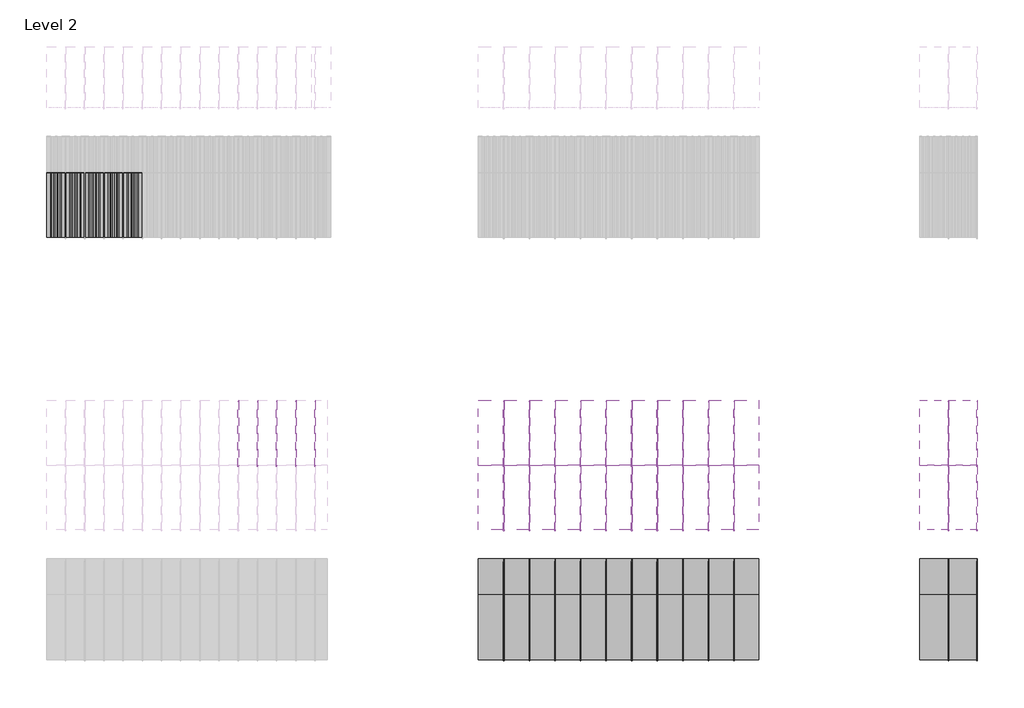
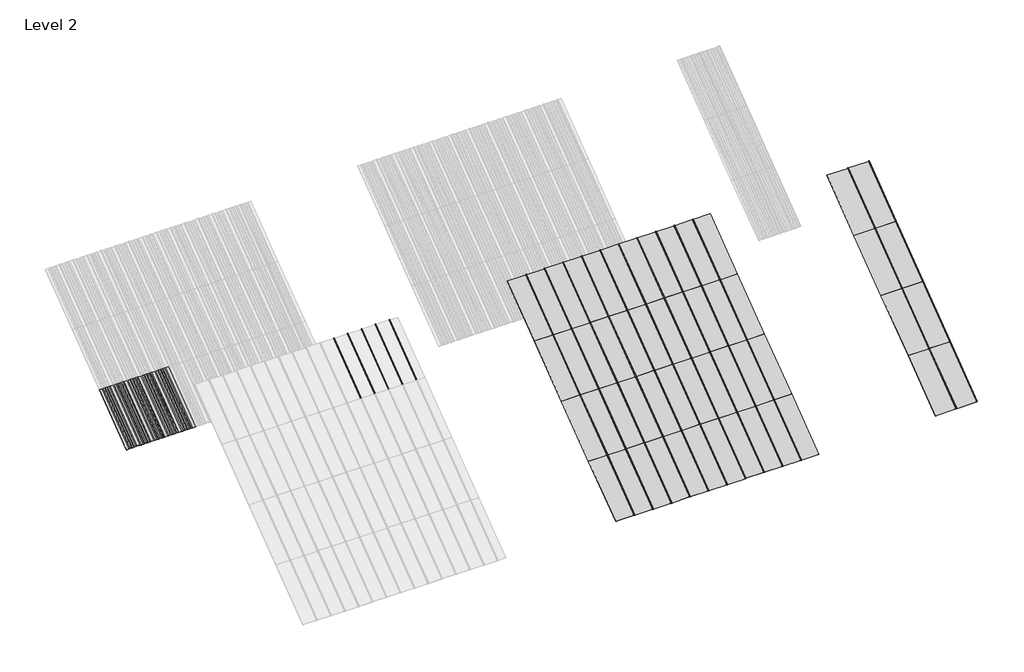
# One storey, part 2 of 113: 57 plates, 53 members.
"""IFC4 building model written with IfcOpenShell, lengths in millimetres."""

import ifcopenshell
import ifcopenshell.guid

model = None  # the IFC model being written
_history = None  # IfcOwnerHistory: only IFC2X3 demands one
_inside = {}  # id of a spatial element -> (the spatial element, [elements in it])
_under = {}  # id of a project, library or spatial element -> (it, [spatial elements below it])
_declared = {}  # id of a project -> (the project, [libraries it declares])
_typed = {}  # id of a type object -> (the type object, [elements of that type])
_made_of = {}  # id of a material, layer set ... -> (it, [elements and type objects made of it])


def new_model(schema):
    """Start an empty IFC model of exactly this schema.

    Asked for "IFC4X3", IfcOpenShell would pick the latest addendum, in which some entities
    have other attributes; the version numbers below select the first issue.
    IFC2X3 requires an IfcOwnerHistory on every rooted entity: one is made here for all.
    """
    global model, _history
    if schema == "IFC4X3":
        model = ifcopenshell.file(schema_version=(4, 3, 0, 0))
    else:
        model = ifcopenshell.file(schema=schema)
    _inside.clear()
    _under.clear()
    _declared.clear()
    _typed.clear()
    _made_of.clear()
    _history = None
    if model.schema == "IFC2X3":
        org = make("IfcOrganization", Name="unknown")
        user = make(
            "IfcPersonAndOrganization",
            ThePerson=make("IfcPerson", FamilyName="unknown"),
            TheOrganization=org,
        )
        app = make(
            "IfcApplication",
            ApplicationDeveloper=org,
            Version="unknown",
            ApplicationFullName="unknown",
            ApplicationIdentifier="unknown",
        )
        _history = make(
            "IfcOwnerHistory",
            OwningUser=user,
            OwningApplication=app,
            ChangeAction="ADDED",
            CreationDate=0,
        )
    return model


def make(cls, **values):
    """One entity of the class cls with the attributes given. An attribute that is None is left unset."""
    return model.create_entity(
        cls, **{name: value for name, value in values.items() if value is not None}
    )


def rooted(cls, **values):
    """An entity with a GlobalId (a new one), such as an element, a storey or a relation."""
    return make(cls, GlobalId=ifcopenshell.guid.new(), OwnerHistory=_history, **values)


def si_unit(unit_type, name, prefix=None):
    """IfcSIUnit, for example si_unit("LENGTHUNIT", "METRE", prefix="MILLI")."""
    return make("IfcSIUnit", UnitType=unit_type, Prefix=prefix, Name=name)


def assignment(units):
    """IfcUnitAssignment: the units of a project."""
    return None if units is None else make("IfcUnitAssignment", Units=units)


def point(xyz):
    """IfcCartesianPoint."""
    return None if xyz is None else make("IfcCartesianPoint", Coordinates=xyz)


def direction(xyz):
    """IfcDirection."""
    return None if xyz is None else make("IfcDirection", DirectionRatios=xyz)


def frame(location, z_axis=None, x_axis=None):
    """IfcAxis2Placement3D, a coordinate frame: its origin and axes. An axis left out is left unset."""
    return make(
        "IfcAxis2Placement3D",
        Location=point(location),
        Axis=direction(z_axis),
        RefDirection=direction(x_axis),
    )


def frame_2d(location, x_axis=None):
    """IfcAxis2Placement2D, a coordinate frame in the plane: its origin and x axis."""
    return make(
        "IfcAxis2Placement2D", Location=point(location), RefDirection=direction(x_axis)
    )


def origin():
    """The frame at (0, 0, 0) with its axes left unset."""
    return frame((0.0, 0.0, 0.0))


def origin_with_axes():
    """The frame at (0, 0, 0) with the z axis (0, 0, 1) and the x axis (1, 0, 0) written out."""
    return frame((0.0, 0.0, 0.0), z_axis=(0.0, 0.0, 1.0), x_axis=(1.0, 0.0, 0.0))


def place(relative_to, where):
    """IfcLocalPlacement: puts the frame where relative to a parent placement (None: the world)."""
    return make(
        "IfcLocalPlacement", PlacementRelTo=relative_to, RelativePlacement=where
    )


def context(
    kind, dimensions, precision=None, world=None, true_north=None, identifier=None
):
    """IfcGeometricRepresentationContext, for example the 3D "Model" context."""
    return make(
        "IfcGeometricRepresentationContext",
        ContextIdentifier=identifier,
        ContextType=kind,
        CoordinateSpaceDimension=dimensions,
        Precision=precision,
        WorldCoordinateSystem=world,
        TrueNorth=true_north,
    )


def project(units=None, contexts=None):
    """IfcProject with its units and contexts."""
    return rooted(
        "IfcProject",
        Name="project",
        RepresentationContexts=contexts,
        UnitsInContext=assignment(units),
    )


def spatial(cls, under=None, at=None, **own):
    """A site, building, storey or space (cls), placed at a placement, below another one or the project."""
    s = rooted(cls, ObjectPlacement=at, **own)
    if under is not None:
        _under.setdefault(under.id(), (under, []))[1].append(s)
    return s


def polyline(points):
    """IfcPolyline through the points."""
    return make("IfcPolyline", Points=[point(p) for p in points])


def circle_curve(where, radius):
    """IfcCircle in the frame where."""
    return make("IfcCircle", Position=where, Radius=radius)


def trimmed(basis, trim1, trim2, sense, master):
    """IfcTrimmedCurve: the piece of a basis curve between two trims."""
    return make(
        "IfcTrimmedCurve",
        BasisCurve=basis,
        Trim1=trim1,
        Trim2=trim2,
        SenseAgreement=sense,
        MasterRepresentation=master,
    )


def segment(curve, same_sense, transition):
    """IfcCompositeCurveSegment."""
    return make(
        "IfcCompositeCurveSegment",
        Transition=transition,
        SameSense=same_sense,
        ParentCurve=curve,
    )


def composite_curve(segments, self_intersect=None):
    """IfcCompositeCurve: segments joined end to end."""
    return make("IfcCompositeCurve", Segments=segments, SelfIntersect=self_intersect)


def outline(outer, holes=None, kind="AREA"):
    """IfcArbitraryClosedProfileDef: a profile drawn as a closed curve; with holes, ...WithVoids."""
    if holes is None:
        return make("IfcArbitraryClosedProfileDef", ProfileType=kind, OuterCurve=outer)
    return make(
        "IfcArbitraryProfileDefWithVoids",
        ProfileType=kind,
        OuterCurve=outer,
        InnerCurves=holes,
    )


def extrude(swept, where, along, depth):
    """IfcExtrudedAreaSolid: the profile swept, set in the frame where, extruded along a direction by depth."""
    return make(
        "IfcExtrudedAreaSolid",
        SweptArea=swept,
        Position=where,
        ExtrudedDirection=direction(along),
        Depth=depth,
    )


def shape(context_of_items, identifier, shape_type, items):
    """IfcShapeRepresentation: the items that make up one representation, for example the "Body"."""
    return make(
        "IfcShapeRepresentation",
        ContextOfItems=context_of_items,
        RepresentationIdentifier=identifier,
        RepresentationType=shape_type,
        Items=items,
    )


def source(mapping_origin, context_of_items, identifier, shape_type, items):
    """IfcRepresentationMap: a shape defined once, which mapped items show again and again."""
    return make(
        "IfcRepresentationMap",
        MappingOrigin=mapping_origin,
        MappedRepresentation=shape(context_of_items, identifier, shape_type, items),
    )


def transform(
    local_origin,
    x_axis=None,
    y_axis=None,
    z_axis=None,
    scale=None,
    scale2=None,
    scale3=None,
    uniform=True,
):
    """IfcCartesianTransformationOperator3D, or its non-uniform kind. x_axis, y_axis, z_axis: its Axis1, 2, 3."""
    if uniform:
        return make(
            "IfcCartesianTransformationOperator3D",
            Axis1=direction(x_axis),
            Axis2=direction(y_axis),
            LocalOrigin=point(local_origin),
            Scale=scale,
            Axis3=direction(z_axis),
        )
    return make(
        "IfcCartesianTransformationOperator3DnonUniform",
        Axis1=direction(x_axis),
        Axis2=direction(y_axis),
        LocalOrigin=point(local_origin),
        Scale=scale,
        Axis3=direction(z_axis),
        Scale2=scale2,
        Scale3=scale3,
    )


def mapped(mapping_source, mapping_target):
    """IfcMappedItem: shows the shape of a source again, moved by a transform."""
    return make(
        "IfcMappedItem", MappingSource=mapping_source, MappingTarget=mapping_target
    )


def made_of(thing, what):
    """Note that an element or type object is made of a material, layer set ...; save() writes the relation."""
    if what is not None:
        _made_of.setdefault(what.id(), (what, []))[1].append(thing)
    return thing


def element(
    cls,
    number,
    at=None,
    inside=None,
    cuts=None,
    type_object=None,
    material=None,
    context=None,
    identifier="Body",
    shape_type=None,
    held_by="IfcProductDefinitionShape",
    body=None,
    shapes=None,
    **own,
):
    """One element of the class cls, such as IfcWall. Its Tag is "e" and its number.

    at: its placement. inside: the storey or other place that contains it. cuts: it is an
    opening in that element (IfcRelVoidsElement). A single representation is given by context,
    identifier, shape_type and body (its items); several are given by shapes. held_by: the class
    of the entity that holds the representations. save() writes the other relations.
    """
    e = rooted(cls, Tag="e%d" % number, ObjectPlacement=at, **own)
    if body is not None:
        shapes = [shape(context, identifier, shape_type, body)]
    if shapes is not None:
        e.Representation = make(held_by, Representations=shapes)
    if inside is not None:
        _inside.setdefault(inside.id(), (inside, []))[1].append(e)
    if cuts is not None:
        rooted(
            "IfcRelVoidsElement", RelatingBuildingElement=cuts, RelatedOpeningElement=e
        )
    if type_object is not None:
        _typed.setdefault(type_object.id(), (type_object, []))[1].append(e)
    return made_of(e, material)


def aggregate(whole, parts):
    """IfcRelAggregates: a whole, such as a stair, and the parts it consists of."""
    return rooted("IfcRelAggregates", RelatingObject=whole, RelatedObjects=parts)


def save(model, path):
    """Write the relations noted so far, then the file.

    IfcRelAggregates (storeys below a building ...), IfcRelContainedInSpatialStructure (elements
    in a storey), IfcRelDefinesByType, IfcRelAssociatesMaterial and IfcRelDeclares: one each for
    every whole, place, type object, material and project.
    """
    for whole, parts in _under.values():
        aggregate(whole, parts)
    for where, things in _inside.values():
        rooted(
            "IfcRelContainedInSpatialStructure",
            RelatedElements=things,
            RelatingStructure=where,
        )
    for kind, things in _typed.values():
        rooted("IfcRelDefinesByType", RelatedObjects=things, RelatingType=kind)
    for what, things in _made_of.values():
        rooted("IfcRelAssociatesMaterial", RelatedObjects=things, RelatingMaterial=what)
    for by, libraries in _declared.values():
        rooted("IfcRelDeclares", RelatingContext=by, RelatedDefinitions=libraries)
    model.write(path)


def rectangular_mullion_707b4951(model_context):
    return source(origin(), model_context, "Body", "SweptSolid", [
        extrude(outline(composite_curve([segment(polyline([(-1.651, -33.918525), (-1.651, 0.396875), (1.778, 0.396875), (1.778, -36.458525)]), True, "CONTINUOUS"), segment(trimmed(circle_curve(frame_2d((-0.762, -36.458525)), 2.54), [point((1.778, -36.458525))], [point((-0.762, -38.998525))], False, "CARTESIAN"), True, "CONTINUOUS"), segment(polyline([(-0.762, -38.998525), (-5.207, -38.998525)]), True, "CONTINUOUS"), segment(trimmed(circle_curve(frame_2d((-5.207, -36.458525)), 2.54), [point((-5.207, -38.998525))], [point((-7.747, -36.458525))], False, "CARTESIAN"), True, "CONTINUOUS"), segment(polyline([(-7.747, -36.458525), (-7.747, -26.425525)]), True, "CONTINUOUS"), segment(trimmed(circle_curve(frame_2d((-5.207, -26.425525)), 2.54), [point((-7.747, -26.425525))], [point((-2.667, -26.425525))], False, "CARTESIAN"), True, "CONTINUOUS"), segment(polyline([(-2.667, -26.425525), (-2.667, -33.918525), (-1.651, -33.918525)]), True, "CONTINUOUS")], self_intersect=False)), frame((0.0, 0.0, -1285.875), z_axis=(0.0, 0.0, 1.0), x_axis=(1.0, 0.0, 0.0)), (0.0, 0.0, 1.0), 1285.875),
    ])


def plate_0_032_aluminium_fd951f71(model_context):
    return source(origin(), model_context, "Body", "SweptSolid", [
        extrude(outline(polyline([(-89.30386, 0.8128), (-66.80708, -2.73558), (-37.26688, -2.73558), (-14.7701, 0.8128), (14.7701, 0.8128), (37.26688, -2.73558), (66.80708, -2.73558), (89.30386, 0.8128), (152.4, 0.8128), (152.4, 0.0), (89.367567, 0.0), (66.870787, -3.54838), (37.203173, -3.54838), (14.706393, 0.0), (-14.706393, 0.0), (-37.203173, -3.54838), (-66.870787, -3.54838), (-89.367567, 0.0), (-152.4, 0.0), (-152.4, 0.8128), (-89.30386, 0.8128)])), origin_with_axes(), (0.0, 0.0, 1.0), 1285.875),
    ])


def system_panel_4cfafa77(model_context):
    return source(origin(), model_context, "Body", "SweptSolid", [
        extrude(outline(polyline([(201.5490002, -0.396875), (-201.5490002, -0.396875), (-201.5490002, 0.396875), (201.5490002, 0.396875), (201.5490002, -0.396875)])), origin_with_axes(), (0.0, 0.0, 1.0), 1285.875),
    ])


def system_panel_5d2c6f42(model_context):
    return source(origin(), model_context, "Body", "SweptSolid", [
        extrude(outline(polyline([(201.4855, -0.396875), (-201.4855, -0.396875), (-201.4855, 0.396875), (201.4855, 0.396875), (201.4855, -0.396875)])), origin_with_axes(), (0.0, 0.0, 1.0), 1285.875),
    ])


def system_panel_6bd02706(model_context):
    return source(origin(), model_context, "Body", "SweptSolid", [
        extrude(outline(polyline([(195.5165, -0.396875), (-195.5165, -0.396875), (-195.5165, 0.396875), (195.5165, 0.396875), (195.5165, -0.396875)])), origin_with_axes(), (0.0, 0.0, 1.0), 1285.875),
    ])


def system_panel_18602c25(model_context):
    return source(origin(), model_context, "Body", "SweptSolid", [
        extrude(outline(polyline([(226.9490002, -0.396875), (-226.9490002, -0.396875), (-226.9490002, 0.396875), (226.9490002, 0.396875), (226.9490002, -0.396875)])), origin_with_axes(), (0.0, 0.0, 1.0), 1285.875),
    ])


def system_panel_0a59d045(model_context):
    return source(origin(), model_context, "Body", "SweptSolid", [
        extrude(outline(polyline([(226.8855, -0.396875), (-226.8855, -0.396875), (-226.8855, 0.396875), (226.8855, 0.396875), (226.8855, -0.396875)])), origin_with_axes(), (0.0, 0.0, 1.0), 1285.875),
    ])


model = new_model("IFC4")

# Units and contexts
model_context = context("Model", 3, world=origin())
ifc_project = project(units=[si_unit("LENGTHUNIT", "METRE", prefix="MILLI")], contexts=[model_context])

# Site, building, storey
site = spatial("IfcSite", under=ifc_project)
building = spatial("IfcBuilding", under=site)
storey = spatial("IfcBuildingStorey", under=building, Name="Level 2", Elevation=3048.0)

# Members
placement = place(None, origin())
rectangular_mullion_shape = rectangular_mullion_707b4951(model_context)
element("IfcMember", 1, ObjectType="Rectangular Mullion", at=placement, inside=storey, context=model_context, shape_type="MappedRepresentation", body=[
    mapped(rectangular_mullion_shape, transform((-11944.0061584, 38960.8255614, 6134.1), x_axis=(1.0, 0.0, 0.0), y_axis=(0.0, 0.6000000000000011, -0.7999999999999992), z_axis=(0.0, 0.7999999999999992, 0.6000000000000011))),
])
element("IfcMember", 2, ObjectType="Rectangular Mullion", at=placement, inside=storey, context=model_context, shape_type="MappedRepresentation", body=[
    mapped(rectangular_mullion_shape, transform((-7727.6061584, 38960.8255614, 6134.1), x_axis=(1.0, 0.0, 0.0), y_axis=(0.0, 0.6000000000000011, -0.7999999999999992), z_axis=(0.0, 0.7999999999999992, 0.6000000000000011))),
])
element("IfcMember", 3, ObjectType="Rectangular Mullion", at=placement, inside=storey, context=model_context, shape_type="MappedRepresentation", body=[
    mapped(rectangular_mullion_shape, transform((-7321.2061584, 38960.8255614, 6134.1), x_axis=(1.0, 0.0, 0.0), y_axis=(0.0, 0.6000000000000011, -0.7999999999999992), z_axis=(0.0, 0.7999999999999992, 0.6000000000000011))),
])
element("IfcMember", 4, ObjectType="Rectangular Mullion", at=placement, inside=storey, context=model_context, shape_type="MappedRepresentation", body=[
    mapped(rectangular_mullion_shape, transform((-6914.8061584, 38960.8255614, 6134.1), x_axis=(1.0, 0.0, 0.0), y_axis=(0.0, 0.6000000000000011, -0.7999999999999992), z_axis=(0.0, 0.7999999999999992, 0.6000000000000011))),
])
element("IfcMember", 5, ObjectType="Rectangular Mullion", at=placement, inside=storey, context=model_context, shape_type="MappedRepresentation", body=[
    mapped(rectangular_mullion_shape, transform((-6508.4061584, 38960.8255614, 6134.1), x_axis=(1.0, 0.0, 0.0), y_axis=(0.0, 0.6000000000000011, -0.7999999999999992), z_axis=(0.0, 0.7999999999999992, 0.6000000000000011))),
])
element("IfcMember", 6, ObjectType="Rectangular Mullion", at=placement, inside=storey, context=model_context, shape_type="MappedRepresentation", body=[
    mapped(rectangular_mullion_shape, transform((-6102.0061584, 38960.8255614, 6134.1), x_axis=(1.0, 0.0, 0.0), y_axis=(0.0, 0.6000000000000011, -0.7999999999999992), z_axis=(0.0, 0.7999999999999992, 0.6000000000000011))),
])
element("IfcMember", 7, ObjectType="Rectangular Mullion", at=placement, inside=storey, context=model_context, shape_type="MappedRepresentation", body=[
    mapped(rectangular_mullion_shape, transform((-5695.6061584, 38960.8255614, 6134.1), x_axis=(1.0, 0.0, 0.0), y_axis=(0.0, 0.6000000000000011, -0.7999999999999992), z_axis=(0.0, 0.7999999999999992, 0.6000000000000011))),
])
element("IfcMember", 8, ObjectType="Rectangular Mullion", at=placement, inside=storey, context=model_context, shape_type="MappedRepresentation", body=[
    mapped(rectangular_mullion_shape, transform((-5289.2061584, 38960.8255614, 6134.1), x_axis=(1.0, 0.0, 0.0), y_axis=(0.0, 0.6000000000000011, -0.7999999999999992), z_axis=(0.0, 0.7999999999999992, 0.6000000000000011))),
])
element("IfcMember", 9, ObjectType="Rectangular Mullion", at=placement, inside=storey, context=model_context, shape_type="MappedRepresentation", body=[
    mapped(rectangular_mullion_shape, transform((-4882.8061584, 38960.8255614, 6134.1), x_axis=(1.0, 0.0, 0.0), y_axis=(0.0, 0.6000000000000011, -0.7999999999999992), z_axis=(0.0, 0.7999999999999992, 0.6000000000000011))),
])
element("IfcMember", 10, ObjectType="Rectangular Mullion", at=placement, inside=storey, context=model_context, shape_type="MappedRepresentation", body=[
    mapped(rectangular_mullion_shape, transform((-4476.4061584, 38960.8255614, 6134.1), x_axis=(1.0, 0.0, 0.0), y_axis=(0.0, 0.6000000000000011, -0.7999999999999992), z_axis=(0.0, 0.7999999999999992, 0.6000000000000011))),
])
element("IfcMember", 11, ObjectType="Rectangular Mullion", at=placement, inside=storey, context=model_context, shape_type="MappedRepresentation", body=[
    mapped(rectangular_mullion_shape, transform((-666.4061584, 38960.8255614, 6134.1), x_axis=(1.0, 0.0, 0.0), y_axis=(0.0, 0.6000000000000011, -0.7999999999999992), z_axis=(0.0, 0.7999999999999992, 0.6000000000000011))),
])
element("IfcMember", 12, ObjectType="Rectangular Mullion", at=placement, inside=storey, context=model_context, shape_type="MappedRepresentation", body=[
    mapped(rectangular_mullion_shape, transform((-209.2061584, 38960.8255614, 6134.1), x_axis=(1.0, 0.0, 0.0), y_axis=(0.0, 0.6000000000000011, -0.7999999999999992), z_axis=(0.0, 0.7999999999999992, 0.6000000000000011))),
])
element("IfcMember", 13, ObjectType="Rectangular Mullion", at=placement, inside=storey, context=model_context, shape_type="MappedRepresentation", body=[
    mapped(rectangular_mullion_shape, transform((-11639.2061584, 38960.8255614, 6134.1), x_axis=(1.0, 0.0, 0.0), y_axis=(0.0, 0.6000000000000011, -0.7999999999999992), z_axis=(0.0, 0.7999999999999992, 0.6000000000000011))),
])
element("IfcMember", 14, ObjectType="Rectangular Mullion", at=placement, inside=storey, context=model_context, shape_type="MappedRepresentation", body=[
    mapped(rectangular_mullion_shape, transform((-11334.4061584, 38960.8255614, 6134.1), x_axis=(1.0, 0.0, 0.0), y_axis=(0.0, 0.6000000000000011, -0.7999999999999992), z_axis=(0.0, 0.7999999999999992, 0.6000000000000011))),
])
element("IfcMember", 15, ObjectType="Rectangular Mullion", at=placement, inside=storey, context=model_context, shape_type="MappedRepresentation", body=[
    mapped(rectangular_mullion_shape, transform((-11029.6061584, 38960.8255614, 6134.1), x_axis=(1.0, 0.0, 0.0), y_axis=(0.0, 0.6000000000000011, -0.7999999999999992), z_axis=(0.0, 0.7999999999999992, 0.6000000000000011))),
])
element("IfcMember", 16, ObjectType="Rectangular Mullion", at=placement, inside=storey, context=model_context, shape_type="MappedRepresentation", body=[
    mapped(rectangular_mullion_shape, transform((-10724.8061584, 38960.8255614, 6134.1), x_axis=(1.0, 0.0, 0.0), y_axis=(0.0, 0.6000000000000011, -0.7999999999999992), z_axis=(0.0, 0.7999999999999992, 0.6000000000000011))),
])
element("IfcMember", 17, ObjectType="Rectangular Mullion", at=placement, inside=storey, context=model_context, shape_type="MappedRepresentation", body=[
    mapped(rectangular_mullion_shape, transform((-4070.0061584, 38960.8255614, 6134.1), x_axis=(1.0, 0.0, 0.0), y_axis=(0.0, 0.6000000000000011, -0.7999999999999992), z_axis=(0.0, 0.7999999999999992, 0.6000000000000011))),
])
element("IfcMember", 18, ObjectType="Rectangular Mullion", at=placement, inside=storey, context=model_context, shape_type="MappedRepresentation", body=[
    mapped(rectangular_mullion_shape, transform((-7727.6061584, 35874.7255614, 3819.525), x_axis=(1.0, 0.0, 0.0), y_axis=(0.0, 0.6000000000000008, -0.7999999999999994), z_axis=(0.0, 0.7999999999999994, 0.6000000000000008))),
])
element("IfcMember", 19, ObjectType="Rectangular Mullion", at=placement, inside=storey, context=model_context, shape_type="MappedRepresentation", body=[
    mapped(rectangular_mullion_shape, transform((-7321.2061584, 35874.7255614, 3819.525), x_axis=(1.0, 0.0, 0.0), y_axis=(0.0, 0.6000000000000008, -0.7999999999999994), z_axis=(0.0, 0.7999999999999994, 0.6000000000000008))),
])
element("IfcMember", 20, ObjectType="Rectangular Mullion", at=placement, inside=storey, context=model_context, shape_type="MappedRepresentation", body=[
    mapped(rectangular_mullion_shape, transform((-6914.8061584, 35874.7255614, 3819.525), x_axis=(1.0, 0.0, 0.0), y_axis=(0.0, 0.6000000000000008, -0.7999999999999994), z_axis=(0.0, 0.7999999999999994, 0.6000000000000008))),
])
element("IfcMember", 21, ObjectType="Rectangular Mullion", at=placement, inside=storey, context=model_context, shape_type="MappedRepresentation", body=[
    mapped(rectangular_mullion_shape, transform((-6508.4061584, 35874.7255614, 3819.525), x_axis=(1.0, 0.0, 0.0), y_axis=(0.0, 0.6000000000000008, -0.7999999999999994), z_axis=(0.0, 0.7999999999999994, 0.6000000000000008))),
])
element("IfcMember", 22, ObjectType="Rectangular Mullion", at=placement, inside=storey, context=model_context, shape_type="MappedRepresentation", body=[
    mapped(rectangular_mullion_shape, transform((-6102.0061584, 35874.7255614, 3819.525), x_axis=(1.0, 0.0, 0.0), y_axis=(0.0, 0.6000000000000008, -0.7999999999999994), z_axis=(0.0, 0.7999999999999994, 0.6000000000000008))),
])
element("IfcMember", 23, ObjectType="Rectangular Mullion", at=placement, inside=storey, context=model_context, shape_type="MappedRepresentation", body=[
    mapped(rectangular_mullion_shape, transform((-5695.6061584, 35874.7255614, 3819.525), x_axis=(1.0, 0.0, 0.0), y_axis=(0.0, 0.6000000000000008, -0.7999999999999994), z_axis=(0.0, 0.7999999999999994, 0.6000000000000008))),
])
element("IfcMember", 24, ObjectType="Rectangular Mullion", at=placement, inside=storey, context=model_context, shape_type="MappedRepresentation", body=[
    mapped(rectangular_mullion_shape, transform((-5289.2061584, 35874.7255614, 3819.525), x_axis=(1.0, 0.0, 0.0), y_axis=(0.0, 0.6000000000000008, -0.7999999999999994), z_axis=(0.0, 0.7999999999999994, 0.6000000000000008))),
])
element("IfcMember", 25, ObjectType="Rectangular Mullion", at=placement, inside=storey, context=model_context, shape_type="MappedRepresentation", body=[
    mapped(rectangular_mullion_shape, transform((-4882.8061584, 35874.7255614, 3819.525), x_axis=(1.0, 0.0, 0.0), y_axis=(0.0, 0.6000000000000008, -0.7999999999999994), z_axis=(0.0, 0.7999999999999994, 0.6000000000000008))),
])
element("IfcMember", 26, ObjectType="Rectangular Mullion", at=placement, inside=storey, context=model_context, shape_type="MappedRepresentation", body=[
    mapped(rectangular_mullion_shape, transform((-4476.4061584, 35874.7255614, 3819.525), x_axis=(1.0, 0.0, 0.0), y_axis=(0.0, 0.6000000000000008, -0.7999999999999994), z_axis=(0.0, 0.7999999999999994, 0.6000000000000008))),
])
element("IfcMember", 27, ObjectType="Rectangular Mullion", at=placement, inside=storey, context=model_context, shape_type="MappedRepresentation", body=[
    mapped(rectangular_mullion_shape, transform((-666.4061584, 35874.7255614, 3819.525), x_axis=(1.0, 0.0, 0.0), y_axis=(0.0, 0.6000000000000008, -0.7999999999999994), z_axis=(0.0, 0.7999999999999994, 0.6000000000000008))),
])
element("IfcMember", 28, ObjectType="Rectangular Mullion", at=placement, inside=storey, context=model_context, shape_type="MappedRepresentation", body=[
    mapped(rectangular_mullion_shape, transform((-209.2061584, 35874.7255614, 3819.525), x_axis=(1.0, 0.0, 0.0), y_axis=(0.0, 0.6000000000000008, -0.7999999999999994), z_axis=(0.0, 0.7999999999999994, 0.6000000000000008))),
])
element("IfcMember", 29, ObjectType="Rectangular Mullion", at=placement, inside=storey, context=model_context, shape_type="MappedRepresentation", body=[
    mapped(rectangular_mullion_shape, transform((-4070.0061584, 35874.7255614, 3819.525), x_axis=(1.0, 0.0, 0.0), y_axis=(0.0, 0.6000000000000008, -0.7999999999999994), z_axis=(0.0, 0.7999999999999994, 0.6000000000000008))),
])
element("IfcMember", 30, ObjectType="Rectangular Mullion", at=placement, inside=storey, context=model_context, shape_type="MappedRepresentation", body=[
    mapped(rectangular_mullion_shape, transform((-7727.6061584, 36903.4255614, 4591.05), x_axis=(1.0, 0.0, 0.0), y_axis=(0.0, 0.6000000000000016, -0.7999999999999988), z_axis=(0.0, 0.7999999999999988, 0.6000000000000016))),
])
element("IfcMember", 31, ObjectType="Rectangular Mullion", at=placement, inside=storey, context=model_context, shape_type="MappedRepresentation", body=[
    mapped(rectangular_mullion_shape, transform((-7321.2061584, 36903.4255614, 4591.05), x_axis=(1.0, 0.0, 0.0), y_axis=(0.0, 0.6000000000000016, -0.7999999999999988), z_axis=(0.0, 0.7999999999999988, 0.6000000000000016))),
])
element("IfcMember", 32, ObjectType="Rectangular Mullion", at=placement, inside=storey, context=model_context, shape_type="MappedRepresentation", body=[
    mapped(rectangular_mullion_shape, transform((-7727.6061584, 37932.1255614, 5362.575), x_axis=(1.0, 0.0, 0.0), y_axis=(0.0, 0.6000000000000011, -0.7999999999999992), z_axis=(0.0, 0.7999999999999992, 0.6000000000000011))),
])
element("IfcMember", 33, ObjectType="Rectangular Mullion", at=placement, inside=storey, context=model_context, shape_type="MappedRepresentation", body=[
    mapped(rectangular_mullion_shape, transform((-7321.2061584, 37932.1255614, 5362.575), x_axis=(1.0, 0.0, 0.0), y_axis=(0.0, 0.6000000000000011, -0.7999999999999992), z_axis=(0.0, 0.7999999999999992, 0.6000000000000011))),
])
element("IfcMember", 34, ObjectType="Rectangular Mullion", at=placement, inside=storey, context=model_context, shape_type="MappedRepresentation", body=[
    mapped(rectangular_mullion_shape, transform((-6914.8061584, 36903.4255614, 4591.05), x_axis=(1.0, 0.0, 0.0), y_axis=(0.0, 0.6000000000000016, -0.7999999999999988), z_axis=(0.0, 0.7999999999999988, 0.6000000000000016))),
])
element("IfcMember", 35, ObjectType="Rectangular Mullion", at=placement, inside=storey, context=model_context, shape_type="MappedRepresentation", body=[
    mapped(rectangular_mullion_shape, transform((-6508.4061584, 36903.4255614, 4591.05), x_axis=(1.0, 0.0, 0.0), y_axis=(0.0, 0.6000000000000016, -0.7999999999999988), z_axis=(0.0, 0.7999999999999988, 0.6000000000000016))),
])
element("IfcMember", 36, ObjectType="Rectangular Mullion", at=placement, inside=storey, context=model_context, shape_type="MappedRepresentation", body=[
    mapped(rectangular_mullion_shape, transform((-6102.0061584, 36903.4255614, 4591.05), x_axis=(1.0, 0.0, 0.0), y_axis=(0.0, 0.6000000000000016, -0.7999999999999988), z_axis=(0.0, 0.7999999999999988, 0.6000000000000016))),
])
element("IfcMember", 37, ObjectType="Rectangular Mullion", at=placement, inside=storey, context=model_context, shape_type="MappedRepresentation", body=[
    mapped(rectangular_mullion_shape, transform((-5695.6061584, 36903.4255614, 4591.05), x_axis=(1.0, 0.0, 0.0), y_axis=(0.0, 0.6000000000000016, -0.7999999999999988), z_axis=(0.0, 0.7999999999999988, 0.6000000000000016))),
])
element("IfcMember", 38, ObjectType="Rectangular Mullion", at=placement, inside=storey, context=model_context, shape_type="MappedRepresentation", body=[
    mapped(rectangular_mullion_shape, transform((-5289.2061584, 36903.4255614, 4591.05), x_axis=(1.0, 0.0, 0.0), y_axis=(0.0, 0.6000000000000016, -0.7999999999999988), z_axis=(0.0, 0.7999999999999988, 0.6000000000000016))),
])
element("IfcMember", 39, ObjectType="Rectangular Mullion", at=placement, inside=storey, context=model_context, shape_type="MappedRepresentation", body=[
    mapped(rectangular_mullion_shape, transform((-4882.8061584, 36903.4255614, 4591.05), x_axis=(1.0, 0.0, 0.0), y_axis=(0.0, 0.6000000000000016, -0.7999999999999988), z_axis=(0.0, 0.7999999999999988, 0.6000000000000016))),
])
element("IfcMember", 40, ObjectType="Rectangular Mullion", at=placement, inside=storey, context=model_context, shape_type="MappedRepresentation", body=[
    mapped(rectangular_mullion_shape, transform((-4476.4061584, 36903.4255614, 4591.05), x_axis=(1.0, 0.0, 0.0), y_axis=(0.0, 0.6000000000000016, -0.7999999999999988), z_axis=(0.0, 0.7999999999999988, 0.6000000000000016))),
])
element("IfcMember", 41, ObjectType="Rectangular Mullion", at=placement, inside=storey, context=model_context, shape_type="MappedRepresentation", body=[
    mapped(rectangular_mullion_shape, transform((-6914.8061584, 37932.1255614, 5362.575), x_axis=(1.0, 0.0, 0.0), y_axis=(0.0, 0.6000000000000011, -0.7999999999999992), z_axis=(0.0, 0.7999999999999992, 0.6000000000000011))),
])
element("IfcMember", 42, ObjectType="Rectangular Mullion", at=placement, inside=storey, context=model_context, shape_type="MappedRepresentation", body=[
    mapped(rectangular_mullion_shape, transform((-6508.4061584, 37932.1255614, 5362.575), x_axis=(1.0, 0.0, 0.0), y_axis=(0.0, 0.6000000000000011, -0.7999999999999992), z_axis=(0.0, 0.7999999999999992, 0.6000000000000011))),
])
element("IfcMember", 43, ObjectType="Rectangular Mullion", at=placement, inside=storey, context=model_context, shape_type="MappedRepresentation", body=[
    mapped(rectangular_mullion_shape, transform((-6102.0061584, 37932.1255614, 5362.575), x_axis=(1.0, 0.0, 0.0), y_axis=(0.0, 0.6000000000000011, -0.7999999999999992), z_axis=(0.0, 0.7999999999999992, 0.6000000000000011))),
])
element("IfcMember", 44, ObjectType="Rectangular Mullion", at=placement, inside=storey, context=model_context, shape_type="MappedRepresentation", body=[
    mapped(rectangular_mullion_shape, transform((-5695.6061584, 37932.1255614, 5362.575), x_axis=(1.0, 0.0, 0.0), y_axis=(0.0, 0.6000000000000011, -0.7999999999999992), z_axis=(0.0, 0.7999999999999992, 0.6000000000000011))),
])
element("IfcMember", 45, ObjectType="Rectangular Mullion", at=placement, inside=storey, context=model_context, shape_type="MappedRepresentation", body=[
    mapped(rectangular_mullion_shape, transform((-5289.2061584, 37932.1255614, 5362.575), x_axis=(1.0, 0.0, 0.0), y_axis=(0.0, 0.6000000000000011, -0.7999999999999992), z_axis=(0.0, 0.7999999999999992, 0.6000000000000011))),
])
element("IfcMember", 46, ObjectType="Rectangular Mullion", at=placement, inside=storey, context=model_context, shape_type="MappedRepresentation", body=[
    mapped(rectangular_mullion_shape, transform((-4882.8061584, 37932.1255614, 5362.575), x_axis=(1.0, 0.0, 0.0), y_axis=(0.0, 0.6000000000000011, -0.7999999999999992), z_axis=(0.0, 0.7999999999999992, 0.6000000000000011))),
])
element("IfcMember", 47, ObjectType="Rectangular Mullion", at=placement, inside=storey, context=model_context, shape_type="MappedRepresentation", body=[
    mapped(rectangular_mullion_shape, transform((-4476.4061584, 37932.1255614, 5362.575), x_axis=(1.0, 0.0, 0.0), y_axis=(0.0, 0.6000000000000011, -0.7999999999999992), z_axis=(0.0, 0.7999999999999992, 0.6000000000000011))),
])
element("IfcMember", 48, ObjectType="Rectangular Mullion", at=placement, inside=storey, context=model_context, shape_type="MappedRepresentation", body=[
    mapped(rectangular_mullion_shape, transform((-666.4061584, 36903.4255614, 4591.05), x_axis=(1.0, 0.0, 0.0), y_axis=(0.0, 0.6000000000000016, -0.7999999999999988), z_axis=(0.0, 0.7999999999999988, 0.6000000000000016))),
])
element("IfcMember", 49, ObjectType="Rectangular Mullion", at=placement, inside=storey, context=model_context, shape_type="MappedRepresentation", body=[
    mapped(rectangular_mullion_shape, transform((-209.2061584, 36903.4255614, 4591.05), x_axis=(1.0, 0.0, 0.0), y_axis=(0.0, 0.6000000000000016, -0.7999999999999988), z_axis=(0.0, 0.7999999999999988, 0.6000000000000016))),
])
element("IfcMember", 50, ObjectType="Rectangular Mullion", at=placement, inside=storey, context=model_context, shape_type="MappedRepresentation", body=[
    mapped(rectangular_mullion_shape, transform((-666.4061584, 37932.1255614, 5362.575), x_axis=(1.0, 0.0, 0.0), y_axis=(0.0, 0.6000000000000011, -0.7999999999999992), z_axis=(0.0, 0.7999999999999992, 0.6000000000000011))),
])
element("IfcMember", 51, ObjectType="Rectangular Mullion", at=placement, inside=storey, context=model_context, shape_type="MappedRepresentation", body=[
    mapped(rectangular_mullion_shape, transform((-209.2061584, 37932.1255614, 5362.575), x_axis=(1.0, 0.0, 0.0), y_axis=(0.0, 0.6000000000000011, -0.7999999999999992), z_axis=(0.0, 0.7999999999999992, 0.6000000000000011))),
])
element("IfcMember", 52, ObjectType="Rectangular Mullion", at=placement, inside=storey, context=model_context, shape_type="MappedRepresentation", body=[
    mapped(rectangular_mullion_shape, transform((-4070.0061584, 36903.4255614, 4591.05), x_axis=(1.0, 0.0, 0.0), y_axis=(0.0, 0.6000000000000016, -0.7999999999999988), z_axis=(0.0, 0.7999999999999988, 0.6000000000000016))),
])
element("IfcMember", 53, ObjectType="Rectangular Mullion", at=placement, inside=storey, context=model_context, shape_type="MappedRepresentation", body=[
    mapped(rectangular_mullion_shape, transform((-4070.0061584, 37932.1255614, 5362.575), x_axis=(1.0, 0.0, 0.0), y_axis=(0.0, 0.6000000000000011, -0.7999999999999992), z_axis=(0.0, 0.7999999999999992, 0.6000000000000011))),
])

# Plates
plate_0_032_aluminium_shape = plate_0_032_aluminium_fd951f71(model_context)
element("IfcPlate", 54, ObjectType="0.032 Aluminium", at=placement, inside=storey, context=model_context, shape_type="MappedRepresentation", body=[
    mapped(plate_0_032_aluminium_shape, transform((-14839.6061586, 41551.6255614, 3048.0), x_axis=(1.0, 0.0, 0.0), y_axis=(0.0, 0.5999999999999943, -0.8000000000000043), z_axis=(0.0, 0.8000000000000043, 0.5999999999999943))),
])
element("IfcPlate", 55, ObjectType="0.032 Aluminium", at=placement, inside=storey, context=model_context, shape_type="MappedRepresentation", body=[
    mapped(plate_0_032_aluminium_shape, transform((-14534.7426584, 41551.6255614, 3048.0), x_axis=(1.0, 0.0, 0.0), y_axis=(0.0, 0.5999999999999943, -0.8000000000000043), z_axis=(0.0, 0.8000000000000043, 0.5999999999999943))),
])
element("IfcPlate", 56, ObjectType="0.032 Aluminium", at=placement, inside=storey, context=model_context, shape_type="MappedRepresentation", body=[
    mapped(plate_0_032_aluminium_shape, transform((-14229.9426584, 41551.6255614, 3048.0), x_axis=(1.0, 0.0, 0.0), y_axis=(0.0, 0.5999999999999943, -0.8000000000000043), z_axis=(0.0, 0.8000000000000043, 0.5999999999999943))),
])
element("IfcPlate", 57, ObjectType="0.032 Aluminium", at=placement, inside=storey, context=model_context, shape_type="MappedRepresentation", body=[
    mapped(plate_0_032_aluminium_shape, transform((-13925.1426584, 41551.6255614, 3048.0), x_axis=(1.0, 0.0, 0.0), y_axis=(0.0, 0.5999999999999943, -0.8000000000000043), z_axis=(0.0, 0.8000000000000043, 0.5999999999999943))),
])
element("IfcPlate", 58, ObjectType="0.032 Aluminium", at=placement, inside=storey, context=model_context, shape_type="MappedRepresentation", body=[
    mapped(plate_0_032_aluminium_shape, transform((-13620.3426584, 41551.6255614, 3048.0), x_axis=(1.0, 0.0, 0.0), y_axis=(0.0, 0.5999999999999943, -0.8000000000000043), z_axis=(0.0, 0.8000000000000043, 0.5999999999999943))),
])
system_panel_shape = system_panel_4cfafa77(model_context)
element("IfcPlate", 59, ObjectType="System Panel", at=placement, inside=storey, context=model_context, shape_type="MappedRepresentation", body=[
    mapped(system_panel_shape, transform((-7930.8061586, 34846.0255614, 3048.0), x_axis=(1.0, 0.0, 0.0), y_axis=(0.0, 0.6000000000000011, -0.7999999999999992), z_axis=(0.0, 0.7999999999999992, 0.6000000000000011))),
])
element("IfcPlate", 60, ObjectType="System Panel", at=placement, inside=storey, context=model_context, shape_type="MappedRepresentation", body=[
    mapped(system_panel_shape, transform((-7930.8061586, 35874.7255614, 3819.525), x_axis=(1.0, 0.0, 0.0), y_axis=(0.0, 0.6000000000000011, -0.7999999999999992), z_axis=(0.0, 0.7999999999999992, 0.6000000000000011))),
])
element("IfcPlate", 61, ObjectType="System Panel", at=placement, inside=storey, context=model_context, shape_type="MappedRepresentation", body=[
    mapped(system_panel_shape, transform((-7930.8061586, 36903.4255614, 4591.05), x_axis=(1.0, 0.0, 0.0), y_axis=(0.0, 0.6000000000000011, -0.7999999999999992), z_axis=(0.0, 0.7999999999999992, 0.6000000000000011))),
])
element("IfcPlate", 62, ObjectType="System Panel", at=placement, inside=storey, context=model_context, shape_type="MappedRepresentation", body=[
    mapped(system_panel_shape, transform((-7930.8061586, 37932.1255614, 5362.575), x_axis=(1.0, 0.0, 0.0), y_axis=(0.0, 0.6000000000000011, -0.7999999999999992), z_axis=(0.0, 0.7999999999999992, 0.6000000000000011))),
])
system_panel_2_shape = system_panel_5d2c6f42(model_context)
element("IfcPlate", 63, ObjectType="System Panel", at=placement, inside=storey, context=model_context, shape_type="MappedRepresentation", body=[
    mapped(system_panel_2_shape, transform((-7524.3426584, 34846.0255614, 3048.0), x_axis=(1.0, 0.0, 0.0), y_axis=(0.0, 0.6000000000000011, -0.7999999999999992), z_axis=(0.0, 0.7999999999999992, 0.6000000000000011))),
])
element("IfcPlate", 64, ObjectType="System Panel", at=placement, inside=storey, context=model_context, shape_type="MappedRepresentation", body=[
    mapped(system_panel_2_shape, transform((-7117.9426584, 34846.0255614, 3048.0), x_axis=(1.0, 0.0, 0.0), y_axis=(0.0, 0.6000000000000011, -0.7999999999999992), z_axis=(0.0, 0.7999999999999992, 0.6000000000000011))),
])
element("IfcPlate", 65, ObjectType="System Panel", at=placement, inside=storey, context=model_context, shape_type="MappedRepresentation", body=[
    mapped(system_panel_2_shape, transform((-7524.3426584, 35874.7255614, 3819.525), x_axis=(1.0, 0.0, 0.0), y_axis=(0.0, 0.6000000000000011, -0.7999999999999992), z_axis=(0.0, 0.7999999999999992, 0.6000000000000011))),
])
element("IfcPlate", 66, ObjectType="System Panel", at=placement, inside=storey, context=model_context, shape_type="MappedRepresentation", body=[
    mapped(system_panel_2_shape, transform((-7117.9426584, 35874.7255614, 3819.525), x_axis=(1.0, 0.0, 0.0), y_axis=(0.0, 0.6000000000000011, -0.7999999999999992), z_axis=(0.0, 0.7999999999999992, 0.6000000000000011))),
])
element("IfcPlate", 67, ObjectType="System Panel", at=placement, inside=storey, context=model_context, shape_type="MappedRepresentation", body=[
    mapped(system_panel_2_shape, transform((-7524.3426584, 36903.4255614, 4591.05), x_axis=(1.0, 0.0, 0.0), y_axis=(0.0, 0.6000000000000011, -0.7999999999999992), z_axis=(0.0, 0.7999999999999992, 0.6000000000000011))),
])
element("IfcPlate", 68, ObjectType="System Panel", at=placement, inside=storey, context=model_context, shape_type="MappedRepresentation", body=[
    mapped(system_panel_2_shape, transform((-7117.9426584, 36903.4255614, 4591.05), x_axis=(1.0, 0.0, 0.0), y_axis=(0.0, 0.6000000000000011, -0.7999999999999992), z_axis=(0.0, 0.7999999999999992, 0.6000000000000011))),
])
element("IfcPlate", 69, ObjectType="System Panel", at=placement, inside=storey, context=model_context, shape_type="MappedRepresentation", body=[
    mapped(system_panel_2_shape, transform((-7524.3426584, 37932.1255614, 5362.575), x_axis=(1.0, 0.0, 0.0), y_axis=(0.0, 0.6000000000000011, -0.7999999999999992), z_axis=(0.0, 0.7999999999999992, 0.6000000000000011))),
])
element("IfcPlate", 70, ObjectType="System Panel", at=placement, inside=storey, context=model_context, shape_type="MappedRepresentation", body=[
    mapped(system_panel_2_shape, transform((-7117.9426584, 37932.1255614, 5362.575), x_axis=(1.0, 0.0, 0.0), y_axis=(0.0, 0.6000000000000011, -0.7999999999999992), z_axis=(0.0, 0.7999999999999992, 0.6000000000000011))),
])
element("IfcPlate", 71, ObjectType="System Panel", at=placement, inside=storey, context=model_context, shape_type="MappedRepresentation", body=[
    mapped(system_panel_2_shape, transform((-6711.5426584, 34846.0255614, 3048.0), x_axis=(1.0, 0.0, 0.0), y_axis=(0.0, 0.6000000000000011, -0.7999999999999992), z_axis=(0.0, 0.7999999999999992, 0.6000000000000011))),
])
element("IfcPlate", 72, ObjectType="System Panel", at=placement, inside=storey, context=model_context, shape_type="MappedRepresentation", body=[
    mapped(system_panel_2_shape, transform((-6711.5426584, 35874.7255614, 3819.525), x_axis=(1.0, 0.0, 0.0), y_axis=(0.0, 0.6000000000000011, -0.7999999999999992), z_axis=(0.0, 0.7999999999999992, 0.6000000000000011))),
])
element("IfcPlate", 73, ObjectType="System Panel", at=placement, inside=storey, context=model_context, shape_type="MappedRepresentation", body=[
    mapped(system_panel_2_shape, transform((-6711.5426584, 36903.4255614, 4591.05), x_axis=(1.0, 0.0, 0.0), y_axis=(0.0, 0.6000000000000011, -0.7999999999999992), z_axis=(0.0, 0.7999999999999992, 0.6000000000000011))),
])
element("IfcPlate", 74, ObjectType="System Panel", at=placement, inside=storey, context=model_context, shape_type="MappedRepresentation", body=[
    mapped(system_panel_2_shape, transform((-6711.5426584, 37932.1255614, 5362.575), x_axis=(1.0, 0.0, 0.0), y_axis=(0.0, 0.6000000000000011, -0.7999999999999992), z_axis=(0.0, 0.7999999999999992, 0.6000000000000011))),
])
element("IfcPlate", 75, ObjectType="System Panel", at=placement, inside=storey, context=model_context, shape_type="MappedRepresentation", body=[
    mapped(system_panel_2_shape, transform((-6305.1426584, 34846.0255614, 3048.0), x_axis=(1.0, 0.0, 0.0), y_axis=(0.0, 0.6000000000000011, -0.7999999999999992), z_axis=(0.0, 0.7999999999999992, 0.6000000000000011))),
])
element("IfcPlate", 76, ObjectType="System Panel", at=placement, inside=storey, context=model_context, shape_type="MappedRepresentation", body=[
    mapped(system_panel_2_shape, transform((-6305.1426584, 35874.7255614, 3819.525), x_axis=(1.0, 0.0, 0.0), y_axis=(0.0, 0.6000000000000011, -0.7999999999999992), z_axis=(0.0, 0.7999999999999992, 0.6000000000000011))),
])
element("IfcPlate", 77, ObjectType="System Panel", at=placement, inside=storey, context=model_context, shape_type="MappedRepresentation", body=[
    mapped(system_panel_2_shape, transform((-6305.1426584, 36903.4255614, 4591.05), x_axis=(1.0, 0.0, 0.0), y_axis=(0.0, 0.6000000000000011, -0.7999999999999992), z_axis=(0.0, 0.7999999999999992, 0.6000000000000011))),
])
element("IfcPlate", 78, ObjectType="System Panel", at=placement, inside=storey, context=model_context, shape_type="MappedRepresentation", body=[
    mapped(system_panel_2_shape, transform((-6305.1426584, 37932.1255614, 5362.575), x_axis=(1.0, 0.0, 0.0), y_axis=(0.0, 0.6000000000000011, -0.7999999999999992), z_axis=(0.0, 0.7999999999999992, 0.6000000000000011))),
])
element("IfcPlate", 79, ObjectType="System Panel", at=placement, inside=storey, context=model_context, shape_type="MappedRepresentation", body=[
    mapped(system_panel_2_shape, transform((-5898.7426584, 34846.0255614, 3048.0), x_axis=(1.0, 0.0, 0.0), y_axis=(0.0, 0.6000000000000011, -0.7999999999999992), z_axis=(0.0, 0.7999999999999992, 0.6000000000000011))),
])
element("IfcPlate", 80, ObjectType="System Panel", at=placement, inside=storey, context=model_context, shape_type="MappedRepresentation", body=[
    mapped(system_panel_2_shape, transform((-5898.7426584, 35874.7255614, 3819.525), x_axis=(1.0, 0.0, 0.0), y_axis=(0.0, 0.6000000000000011, -0.7999999999999992), z_axis=(0.0, 0.7999999999999992, 0.6000000000000011))),
])
element("IfcPlate", 81, ObjectType="System Panel", at=placement, inside=storey, context=model_context, shape_type="MappedRepresentation", body=[
    mapped(system_panel_2_shape, transform((-5898.7426584, 36903.4255614, 4591.05), x_axis=(1.0, 0.0, 0.0), y_axis=(0.0, 0.6000000000000011, -0.7999999999999992), z_axis=(0.0, 0.7999999999999992, 0.6000000000000011))),
])
element("IfcPlate", 82, ObjectType="System Panel", at=placement, inside=storey, context=model_context, shape_type="MappedRepresentation", body=[
    mapped(system_panel_2_shape, transform((-5898.7426584, 37932.1255614, 5362.575), x_axis=(1.0, 0.0, 0.0), y_axis=(0.0, 0.6000000000000011, -0.7999999999999992), z_axis=(0.0, 0.7999999999999992, 0.6000000000000011))),
])
element("IfcPlate", 83, ObjectType="System Panel", at=placement, inside=storey, context=model_context, shape_type="MappedRepresentation", body=[
    mapped(system_panel_2_shape, transform((-5492.3426584, 34846.0255614, 3048.0), x_axis=(1.0, 0.0, 0.0), y_axis=(0.0, 0.6000000000000011, -0.7999999999999992), z_axis=(0.0, 0.7999999999999992, 0.6000000000000011))),
])
element("IfcPlate", 84, ObjectType="System Panel", at=placement, inside=storey, context=model_context, shape_type="MappedRepresentation", body=[
    mapped(system_panel_2_shape, transform((-5492.3426584, 35874.7255614, 3819.525), x_axis=(1.0, 0.0, 0.0), y_axis=(0.0, 0.6000000000000011, -0.7999999999999992), z_axis=(0.0, 0.7999999999999992, 0.6000000000000011))),
])
element("IfcPlate", 85, ObjectType="System Panel", at=placement, inside=storey, context=model_context, shape_type="MappedRepresentation", body=[
    mapped(system_panel_2_shape, transform((-5492.3426584, 36903.4255614, 4591.05), x_axis=(1.0, 0.0, 0.0), y_axis=(0.0, 0.6000000000000011, -0.7999999999999992), z_axis=(0.0, 0.7999999999999992, 0.6000000000000011))),
])
element("IfcPlate", 86, ObjectType="System Panel", at=placement, inside=storey, context=model_context, shape_type="MappedRepresentation", body=[
    mapped(system_panel_2_shape, transform((-5492.3426584, 37932.1255614, 5362.575), x_axis=(1.0, 0.0, 0.0), y_axis=(0.0, 0.6000000000000011, -0.7999999999999992), z_axis=(0.0, 0.7999999999999992, 0.6000000000000011))),
])
element("IfcPlate", 87, ObjectType="System Panel", at=placement, inside=storey, context=model_context, shape_type="MappedRepresentation", body=[
    mapped(system_panel_2_shape, transform((-5085.9426584, 34846.0255614, 3048.0), x_axis=(1.0, 0.0, 0.0), y_axis=(0.0, 0.6000000000000011, -0.7999999999999992), z_axis=(0.0, 0.7999999999999992, 0.6000000000000011))),
])
element("IfcPlate", 88, ObjectType="System Panel", at=placement, inside=storey, context=model_context, shape_type="MappedRepresentation", body=[
    mapped(system_panel_2_shape, transform((-5085.9426584, 35874.7255614, 3819.525), x_axis=(1.0, 0.0, 0.0), y_axis=(0.0, 0.6000000000000011, -0.7999999999999992), z_axis=(0.0, 0.7999999999999992, 0.6000000000000011))),
])
element("IfcPlate", 89, ObjectType="System Panel", at=placement, inside=storey, context=model_context, shape_type="MappedRepresentation", body=[
    mapped(system_panel_2_shape, transform((-5085.9426584, 36903.4255614, 4591.05), x_axis=(1.0, 0.0, 0.0), y_axis=(0.0, 0.6000000000000011, -0.7999999999999992), z_axis=(0.0, 0.7999999999999992, 0.6000000000000011))),
])
element("IfcPlate", 90, ObjectType="System Panel", at=placement, inside=storey, context=model_context, shape_type="MappedRepresentation", body=[
    mapped(system_panel_2_shape, transform((-5085.9426584, 37932.1255614, 5362.575), x_axis=(1.0, 0.0, 0.0), y_axis=(0.0, 0.6000000000000011, -0.7999999999999992), z_axis=(0.0, 0.7999999999999992, 0.6000000000000011))),
])
element("IfcPlate", 91, ObjectType="System Panel", at=placement, inside=storey, context=model_context, shape_type="MappedRepresentation", body=[
    mapped(system_panel_2_shape, transform((-4679.5426584, 34846.0255614, 3048.0), x_axis=(1.0, 0.0, 0.0), y_axis=(0.0, 0.6000000000000011, -0.7999999999999992), z_axis=(0.0, 0.7999999999999992, 0.6000000000000011))),
])
element("IfcPlate", 92, ObjectType="System Panel", at=placement, inside=storey, context=model_context, shape_type="MappedRepresentation", body=[
    mapped(system_panel_2_shape, transform((-4679.5426584, 35874.7255614, 3819.525), x_axis=(1.0, 0.0, 0.0), y_axis=(0.0, 0.6000000000000011, -0.7999999999999992), z_axis=(0.0, 0.7999999999999992, 0.6000000000000011))),
])
element("IfcPlate", 93, ObjectType="System Panel", at=placement, inside=storey, context=model_context, shape_type="MappedRepresentation", body=[
    mapped(system_panel_2_shape, transform((-4679.5426584, 36903.4255614, 4591.05), x_axis=(1.0, 0.0, 0.0), y_axis=(0.0, 0.6000000000000011, -0.7999999999999992), z_axis=(0.0, 0.7999999999999992, 0.6000000000000011))),
])
element("IfcPlate", 94, ObjectType="System Panel", at=placement, inside=storey, context=model_context, shape_type="MappedRepresentation", body=[
    mapped(system_panel_2_shape, transform((-4679.5426584, 37932.1255614, 5362.575), x_axis=(1.0, 0.0, 0.0), y_axis=(0.0, 0.6000000000000011, -0.7999999999999992), z_axis=(0.0, 0.7999999999999992, 0.6000000000000011))),
])
element("IfcPlate", 95, ObjectType="System Panel", at=placement, inside=storey, context=model_context, shape_type="MappedRepresentation", body=[
    mapped(system_panel_2_shape, transform((-4273.1426584, 34846.0255614, 3048.0), x_axis=(1.0, 0.0, 0.0), y_axis=(0.0, 0.6000000000000011, -0.7999999999999992), z_axis=(0.0, 0.7999999999999992, 0.6000000000000011))),
])
element("IfcPlate", 96, ObjectType="System Panel", at=placement, inside=storey, context=model_context, shape_type="MappedRepresentation", body=[
    mapped(system_panel_2_shape, transform((-4273.1426584, 35874.7255614, 3819.525), x_axis=(1.0, 0.0, 0.0), y_axis=(0.0, 0.6000000000000011, -0.7999999999999992), z_axis=(0.0, 0.7999999999999992, 0.6000000000000011))),
])
element("IfcPlate", 97, ObjectType="System Panel", at=placement, inside=storey, context=model_context, shape_type="MappedRepresentation", body=[
    mapped(system_panel_2_shape, transform((-4273.1426584, 36903.4255614, 4591.05), x_axis=(1.0, 0.0, 0.0), y_axis=(0.0, 0.6000000000000011, -0.7999999999999992), z_axis=(0.0, 0.7999999999999992, 0.6000000000000011))),
])
element("IfcPlate", 98, ObjectType="System Panel", at=placement, inside=storey, context=model_context, shape_type="MappedRepresentation", body=[
    mapped(system_panel_2_shape, transform((-4273.1426584, 37932.1255614, 5362.575), x_axis=(1.0, 0.0, 0.0), y_axis=(0.0, 0.6000000000000011, -0.7999999999999992), z_axis=(0.0, 0.7999999999999992, 0.6000000000000011))),
])
system_panel_3_shape = system_panel_6bd02706(model_context)
element("IfcPlate", 99, ObjectType="System Panel", at=placement, inside=storey, context=model_context, shape_type="MappedRepresentation", body=[
    mapped(system_panel_3_shape, transform((-3872.7116584, 34846.0255614, 3048.0), x_axis=(1.0, 0.0, 0.0), y_axis=(0.0, 0.6000000000000011, -0.7999999999999992), z_axis=(0.0, 0.7999999999999992, 0.6000000000000011))),
])
element("IfcPlate", 100, ObjectType="System Panel", at=placement, inside=storey, context=model_context, shape_type="MappedRepresentation", body=[
    mapped(system_panel_3_shape, transform((-3872.7116584, 35874.7255614, 3819.525), x_axis=(1.0, 0.0, 0.0), y_axis=(0.0, 0.6000000000000011, -0.7999999999999992), z_axis=(0.0, 0.7999999999999992, 0.6000000000000011))),
])
element("IfcPlate", 101, ObjectType="System Panel", at=placement, inside=storey, context=model_context, shape_type="MappedRepresentation", body=[
    mapped(system_panel_3_shape, transform((-3872.7116584, 36903.4255614, 4591.05), x_axis=(1.0, 0.0, 0.0), y_axis=(0.0, 0.6000000000000011, -0.7999999999999992), z_axis=(0.0, 0.7999999999999992, 0.6000000000000011))),
])
element("IfcPlate", 102, ObjectType="System Panel", at=placement, inside=storey, context=model_context, shape_type="MappedRepresentation", body=[
    mapped(system_panel_3_shape, transform((-3872.7116584, 37932.1255614, 5362.575), x_axis=(1.0, 0.0, 0.0), y_axis=(0.0, 0.6000000000000011, -0.7999999999999992), z_axis=(0.0, 0.7999999999999992, 0.6000000000000011))),
])
system_panel_4_shape = system_panel_18602c25(model_context)
element("IfcPlate", 103, ObjectType="System Panel", at=placement, inside=storey, context=model_context, shape_type="MappedRepresentation", body=[
    mapped(system_panel_4_shape, transform((-895.0061586, 34846.0255614, 3048.0), x_axis=(1.0, 0.0, 0.0), y_axis=(0.0, 0.6000000000000011, -0.7999999999999992), z_axis=(0.0, 0.7999999999999992, 0.6000000000000011))),
])
element("IfcPlate", 104, ObjectType="System Panel", at=placement, inside=storey, context=model_context, shape_type="MappedRepresentation", body=[
    mapped(system_panel_4_shape, transform((-895.0061586, 35874.7255614, 3819.525), x_axis=(1.0, 0.0, 0.0), y_axis=(0.0, 0.6000000000000011, -0.7999999999999992), z_axis=(0.0, 0.7999999999999992, 0.6000000000000011))),
])
element("IfcPlate", 105, ObjectType="System Panel", at=placement, inside=storey, context=model_context, shape_type="MappedRepresentation", body=[
    mapped(system_panel_4_shape, transform((-895.0061586, 36903.4255614, 4591.05), x_axis=(1.0, 0.0, 0.0), y_axis=(0.0, 0.6000000000000011, -0.7999999999999992), z_axis=(0.0, 0.7999999999999992, 0.6000000000000011))),
])
element("IfcPlate", 106, ObjectType="System Panel", at=placement, inside=storey, context=model_context, shape_type="MappedRepresentation", body=[
    mapped(system_panel_4_shape, transform((-895.0061586, 37932.1255614, 5362.575), x_axis=(1.0, 0.0, 0.0), y_axis=(0.0, 0.6000000000000011, -0.7999999999999992), z_axis=(0.0, 0.7999999999999992, 0.6000000000000011))),
])
system_panel_5_shape = system_panel_0a59d045(model_context)
element("IfcPlate", 107, ObjectType="System Panel", at=placement, inside=storey, context=model_context, shape_type="MappedRepresentation", body=[
    mapped(system_panel_5_shape, transform((-437.7426584, 34846.0255614, 3048.0), x_axis=(1.0, 0.0, 0.0), y_axis=(0.0, 0.6000000000000011, -0.7999999999999992), z_axis=(0.0, 0.7999999999999992, 0.6000000000000011))),
])
element("IfcPlate", 108, ObjectType="System Panel", at=placement, inside=storey, context=model_context, shape_type="MappedRepresentation", body=[
    mapped(system_panel_5_shape, transform((-437.7426584, 35874.7255614, 3819.525), x_axis=(1.0, 0.0, 0.0), y_axis=(0.0, 0.6000000000000011, -0.7999999999999992), z_axis=(0.0, 0.7999999999999992, 0.6000000000000011))),
])
element("IfcPlate", 109, ObjectType="System Panel", at=placement, inside=storey, context=model_context, shape_type="MappedRepresentation", body=[
    mapped(system_panel_5_shape, transform((-437.7426584, 36903.4255614, 4591.05), x_axis=(1.0, 0.0, 0.0), y_axis=(0.0, 0.6000000000000011, -0.7999999999999992), z_axis=(0.0, 0.7999999999999992, 0.6000000000000011))),
])
element("IfcPlate", 110, ObjectType="System Panel", at=placement, inside=storey, context=model_context, shape_type="MappedRepresentation", body=[
    mapped(system_panel_5_shape, transform((-437.7426584, 37932.1255614, 5362.575), x_axis=(1.0, 0.0, 0.0), y_axis=(0.0, 0.6000000000000011, -0.7999999999999992), z_axis=(0.0, 0.7999999999999992, 0.6000000000000011))),
])

save(model, "model.ifc")
